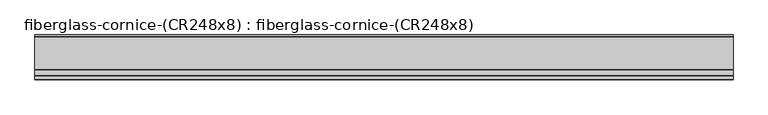
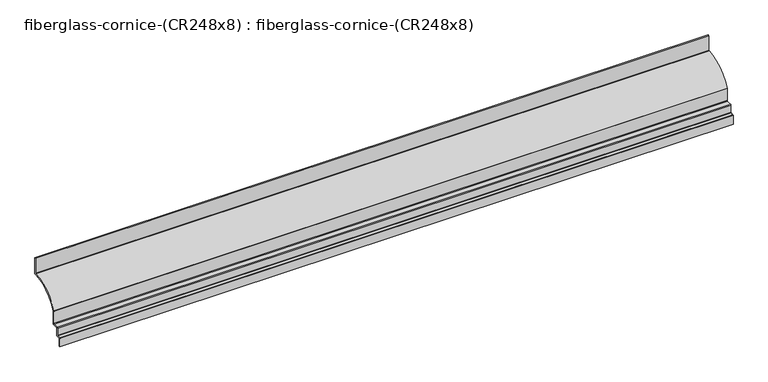
"""IFC4 building model written with IfcOpenShell, lengths in millimetres: furniture geometry, fiberglass-cornice-(CR248x8) : fiberglass-cornice-(CR248x8)."""

from ifc_helpers import new_model, si_unit, point, frame, frame_2d, origin, place, context, project, spatial, polyline, circle_curve, trimmed, segment, composite_curve, outline, extrude, source, transform, mapped, element, save


def fiberglass_cornice_cr248x8_fiberglass_cornice_cr248x8_502947a4(model_context):
    return source(origin(), model_context, "Body", "SweptSolid", [
        extrude(outline(composite_curve([segment(polyline([(360.3625, 330.1999904), (360.3625, 231.8481398)]), True, "CONTINUOUS"), segment(trimmed(circle_curve(frame_2d((357.1875, 231.8481398)), 3.175), [point((360.3625, 231.8481398))], [point((357.1402435, 228.6734915))], False, "CARTESIAN"), True, "CONTINUOUS"), segment(trimmed(circle_curve(frame_2d((354.1124157, 25.2667695)), 203.4292562), [point((357.1402435, 228.6734915))], [point((170.1665855, 112.1425073))], True, "CARTESIAN"), True, "CONTINUOUS"), segment(trimmed(circle_curve(frame_2d((173.0375, 110.7866037)), 3.175), [point((170.1665855, 112.1425073))], [point((169.8625, 110.7866037))], True, "CARTESIAN"), True, "CONTINUOUS"), segment(polyline([(169.8625, 110.7866037), (169.8625, 28.5749904)]), True, "CONTINUOUS"), segment(trimmed(circle_curve(frame_2d((166.6875, 28.5749904)), 3.175), [point((169.8625, 28.5749904))], [point((166.6875, 25.3999904))], False, "CARTESIAN"), True, "CONTINUOUS"), segment(polyline([(166.6875, 25.3999904), (134.9375, 25.3999904)]), True, "CONTINUOUS"), segment(trimmed(circle_curve(frame_2d((134.9375, 22.2249904)), 3.175), [point((134.9375, 25.3999904))], [point((131.7625, 22.2249904))], True, "CARTESIAN"), True, "CONTINUOUS"), segment(polyline([(131.7625, 22.2249904), (131.7625, -22.2250009)]), True, "CONTINUOUS"), segment(trimmed(circle_curve(frame_2d((128.5875, -22.2250009)), 3.175), [point((131.7625, -22.2250009))], [point((128.5875, -25.4000009))], False, "CARTESIAN"), True, "CONTINUOUS"), segment(polyline([(128.5875, -25.4000009), (111.125, -25.4000009)]), True, "CONTINUOUS"), segment(trimmed(circle_curve(frame_2d((111.125, -28.5750009)), 3.175), [point((111.125, -25.4000009))], [point((107.95, -28.5750009))], True, "CARTESIAN"), True, "CONTINUOUS"), segment(polyline([(107.95, -28.5750009), (107.95, -76.2000009), (101.6, -76.2000009), (101.6, -22.2250009)]), True, "CONTINUOUS"), segment(trimmed(circle_curve(frame_2d((104.775, -22.2250009)), 3.175), [point((101.6, -22.2250009))], [point((104.775, -19.0500009))], False, "CARTESIAN"), True, "CONTINUOUS"), segment(polyline([(104.775, -19.0500009), (122.2375, -19.0500009)]), True, "CONTINUOUS"), segment(trimmed(circle_curve(frame_2d((122.2375, -15.8750009)), 3.175), [point((122.2375, -19.0500009))], [point((125.4125, -15.8750009))], True, "CARTESIAN"), True, "CONTINUOUS"), segment(polyline([(125.4125, -15.8750009), (125.4125, 28.5749904)]), True, "CONTINUOUS"), segment(trimmed(circle_curve(frame_2d((128.5875, 28.5749904)), 3.175), [point((125.4125, 28.5749904))], [point((128.5875, 31.7499904))], False, "CARTESIAN"), True, "CONTINUOUS"), segment(polyline([(128.5875, 31.7499904), (160.3375, 31.7499904)]), True, "CONTINUOUS"), segment(trimmed(circle_curve(frame_2d((160.3375, 34.9249904)), 3.175), [point((160.3375, 31.7499904))], [point((163.5125, 34.9249904))], True, "CARTESIAN"), True, "CONTINUOUS"), segment(polyline([(163.5125, 34.9249904), (163.5125, 112.1990401)]), True, "CONTINUOUS"), segment(trimmed(circle_curve(frame_2d((166.6875, 112.1990401)), 3.175), [point((163.5125, 112.1990401))], [point((163.8072394, 113.5349756))], False, "CARTESIAN"), True, "CONTINUOUS"), segment(trimmed(circle_curve(frame_2d((354.1124157, 25.2667695)), 209.7792562), [point((163.8072394, 113.5349756))], [point((350.8863267, 235.0212181))], False, "CARTESIAN"), True, "CONTINUOUS"), segment(trimmed(circle_curve(frame_2d((350.8375, 238.1958426)), 3.175), [point((350.8863267, 235.0212181))], [point((354.0125, 238.1958426))], True, "CARTESIAN"), True, "CONTINUOUS"), segment(polyline([(354.0125, 238.1958426), (354.0125, 330.1999904), (360.3625, 330.1999904)]), True, "CONTINUOUS")], self_intersect=False)), frame((-2012.9498044, 0.0, 0.0), z_axis=(1.0, 0.0, 0.0), x_axis=(0.0, 1.0, 0.0)), (0.0, 0.0, 1.0), 4025.8996087),
    ])


if __name__ == "__main__":
    model = new_model("IFC4")
    model_context = context("Model", 3, world=origin())
    ifc_project = project(units=[si_unit("LENGTHUNIT", "METRE", prefix="MILLI")], contexts=[model_context])
    site = spatial("IfcSite", under=ifc_project)
    building = spatial("IfcBuilding", under=site)
    placement = place(None, origin())
    fiberglass_cornice_cr248x8_fiberglass_cornice_cr248x8_shape = fiberglass_cornice_cr248x8_fiberglass_cornice_cr248x8_502947a4(model_context)
    element("IfcFurniture", 1, ObjectType="fiberglass-cornice-(CR248x8) : fiberglass-cornice-(CR248x8)", at=placement, inside=building, context=model_context, shape_type="MappedRepresentation", body=[
        mapped(fiberglass_cornice_cr248x8_fiberglass_cornice_cr248x8_shape, transform((0.0, 0.0, 0.0), x_axis=(1.0, 0.0, 0.0), y_axis=(0.0, 1.0, 0.0), z_axis=(0.0, 0.0, 1.0))),
    ])
    save(model, "model.ifc")
